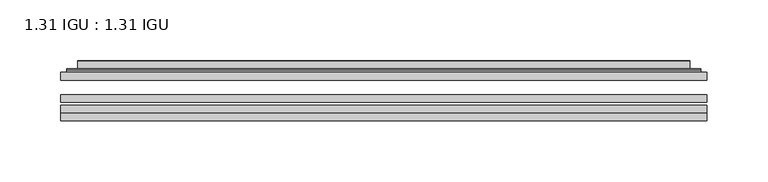
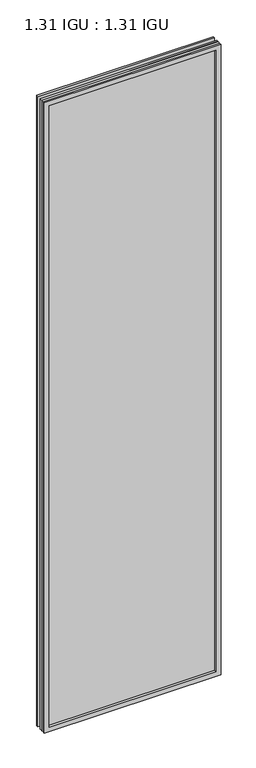
"""IFC4 building model written with IfcOpenShell, lengths in millimetres: plate geometry, 1.31 IGU : 1.31 IGU."""

from ifc_helpers import new_model, si_unit, frame, origin, place, context, project, spatial, polyline, ellipse_curve, outline, extrude, faceted_brep, source, transform, mapped, element, save
from ifc_brep_helpers import plane_surface, cylinder_surface, advanced_brep


def plate_1_31_igu_1_31_igu_803af0b6(model_context):
    return source(origin(), model_context, "Body", "SolidModel", [
        extrude(outline(polyline([(266.7140393, -63.59525), (266.7140393, -69.94525), (-266.6998644, -69.94525), (-266.6998644, -63.59525), (266.7140393, -63.59525)])), frame((0.0, 0.0, -14.2875), z_axis=(0.0, 0.0, 1.0), x_axis=(1.0, 0.0, 0.0)), (0.0, 0.0, 1.0), 2009.8015278),
        extrude(outline(polyline([(-266.6998644, -78.58125), (-266.6998644, -72.230745), (266.7140393, -72.230745), (266.7140393, -78.58125), (-266.6998644, -78.58125)])), frame((0.0, 0.0, -14.2875), z_axis=(0.0, 0.0, 1.0), x_axis=(1.0, 0.0, 0.0)), (0.0, 0.0, 1.0), 2009.8015278),
        extrude(outline(polyline([(266.7140393, -45.25645), (266.7140393, -51.60645), (-266.6998644, -51.60645), (-266.6998644, -45.25645), (266.7140393, -45.25645)])), frame((0.0, 0.0, -14.2875), z_axis=(0.0, 0.0, 1.0), x_axis=(1.0, 0.0, 0.0)), (0.0, 0.0, 1.0), 2009.8015278),
        faceted_brep([(-266.7125644, -84.93125, 1995.5229299), (-266.7125644, -78.58125, 1995.5229299), (-266.7125644, -78.58125, -14.3002), (-266.7125644, -84.93125, -14.3002), (266.7125644, -78.58125, -14.3002), (266.7125644, -84.93125, -14.3002), (266.7125644, -78.58125, 1995.5229299), (266.7125644, -84.93125, 1995.5229299), (-251.5146202, -78.58125, 0.8977441), (251.5146202, -78.58125, 0.8977441), (251.5146202, -78.58125, 1980.3249858), (-251.5146202, -78.58125, 1980.3249858), (-252.4070545, -84.93125, 1981.2174201), (252.4070545, -84.93125, 1981.2174201), (252.4070545, -84.93125, 0.0053098), (-252.4070545, -84.93125, 0.0053098)], [[[0, 1, 2, 3]], [[3, 2, 4, 5]], [[5, 4, 6, 7]], [[1, 6, 4, 2], [8, 9, 10, 11]], [[7, 6, 1, 0]], [[3, 5, 7, 0], [12, 13, 14, 15]], [[11, 12, 15, 8]], [[8, 15, 14, 9]], [[9, 14, 13, 10]], [[10, 13, 12, 11]]]),
        advanced_brep(
        [(-259.4585834, -45.25645, 1988.2689489), (-261.8127888, -43.2667833, 1990.6231543), (-261.8127888, -43.2667833, -9.4004244), (-259.4585834, -45.25645, -7.046219), (-250.3842583, -41.416413, 1979.1946238), (-245.4494264, -45.25645, 1974.2597919), (-245.4494264, -45.25645, 6.9629379), (-250.3842583, -41.416413, 2.0281061), (-251.416286, -36.0191819, 1980.2266515), (-251.416286, -36.0191819, 0.9960783), (-252.4069428, -35.6202069, 1981.2173083), (-252.4069428, -35.6202069, 0.0054216), (-252.4069428, -42.08145, 1981.2173083), (-252.4069428, -42.08145, 0.0054216), (-260.8109992, -42.08145, 1989.6213648), (-260.8109992, -42.08145, -8.3986349), (261.8127888, -43.2667833, -9.4004244), (259.4585834, -45.25645, -7.046219), (245.4494264, -45.25645, 6.9629379), (250.3842583, -41.416413, 2.0281061), (251.416286, -36.0191819, 0.9960783), (252.4069428, -35.6202069, 0.0054216), (252.4069428, -42.08145, 0.0054216), (260.8109992, -42.08145, -8.3986349), (261.8127888, -43.2667833, 1990.6231543), (259.4585834, -45.25645, 1988.2689489), (245.4494264, -45.25645, 1974.2597919), (250.3842583, -41.416413, 1979.1946238), (251.416286, -36.0191819, 1980.2266515), (252.4069428, -35.6202069, 1981.2173083), (252.4069428, -42.08145, 1981.2173083), (260.8109992, -42.08145, 1989.6213648)],
        [
            (0, 1, ellipse_curve(frame((-259.4585834, -42.86885, 1988.2689489), z_axis=(-0.7071067811865475, 0.0, -0.7071067811865475), x_axis=(-0.7071067811865474, 0.0, 0.7071067811865476)), 3.3765763, 2.3876)),
            (1, 2),
            (2, 3, ellipse_curve(frame((-259.4585834, -42.86885, -7.046219), z_axis=(-0.7071067811865475, 0.0, 0.7071067811865475), x_axis=(0.7071067811865474, 0.0, 0.7071067811865476)), 3.3765763, 2.3876)),
            (3, 0),
            (4, 5),
            (5, 6),
            (6, 7),
            (7, 4),
            (8, 4),
            (7, 9),
            (9, 8),
            (10, 8, ellipse_curve(frame((-252.0399862, -36.1384423, 1980.8503517), z_axis=(-0.7071067811865475, 0.0, -0.7071067811865475), x_axis=(-0.7071067811865474, 0.0, 0.7071067811865476)), 0.8980256, 0.635)),
            (9, 11, ellipse_curve(frame((-252.0399862, -36.1384423, 0.3723781), z_axis=(-0.7071067811865475, 0.0, 0.7071067811865475), x_axis=(0.7071067811865474, 0.0, 0.7071067811865476)), 0.8980256, 0.635)),
            (11, 10),
            (12, 10),
            (11, 13),
            (13, 12),
            (1, 14, ellipse_curve(frame((-260.8109992, -43.09745, 1989.6213648), z_axis=(-0.7071067811865475, 0.0, -0.7071067811865475), x_axis=(-0.7071067811865474, 0.0, 0.7071067811865476)), 1.436841, 1.016)),
            (14, 15),
            (15, 2, ellipse_curve(frame((-260.8109992, -43.09745, -8.3986349), z_axis=(-0.7071067811865475, 0.0, 0.7071067811865475), x_axis=(0.7071067811865474, 0.0, 0.7071067811865476)), 1.436841, 1.016)),
            (2, 16),
            (16, 17, ellipse_curve(frame((259.4585834, -42.86885, -7.046219), z_axis=(-0.7071067811865475, 0.0, -0.7071067811865475), x_axis=(-0.7071067811865476, 0.0, 0.7071067811865474)), 3.3765763, 2.3876)),
            (17, 3),
            (6, 18),
            (18, 19),
            (19, 7),
            (19, 20),
            (20, 9),
            (20, 21, ellipse_curve(frame((252.0399862, -36.1384423, 0.3723781), z_axis=(-0.7071067811865475, 0.0, -0.7071067811865475), x_axis=(-0.7071067811865476, 0.0, 0.7071067811865474)), 0.8980256, 0.635)),
            (21, 11),
            (21, 22),
            (22, 13),
            (15, 23),
            (23, 16, ellipse_curve(frame((260.8109992, -43.09745, -8.3986349), z_axis=(-0.7071067811865475, 0.0, -0.7071067811865475), x_axis=(-0.7071067811865476, 0.0, 0.7071067811865474)), 1.436841, 1.016)),
            (16, 24),
            (24, 25, ellipse_curve(frame((259.4585834, -42.86885, 1988.2689489), z_axis=(0.7071067811865475, 0.0, -0.7071067811865475), x_axis=(-0.7071067811865474, 0.0, -0.7071067811865476)), 3.3765763, 2.3876)),
            (25, 17),
            (18, 26),
            (26, 27),
            (27, 19),
            (27, 28),
            (28, 20),
            (28, 29, ellipse_curve(frame((252.0399862, -36.1384423, 1980.8503517), z_axis=(0.7071067811865475, 0.0, -0.7071067811865475), x_axis=(-0.7071067811865474, 0.0, -0.7071067811865476)), 0.8980256, 0.635)),
            (29, 21),
            (29, 30),
            (30, 22),
            (23, 31),
            (31, 24, ellipse_curve(frame((260.8109992, -43.09745, 1989.6213648), z_axis=(0.7071067811865475, 0.0, -0.7071067811865475), x_axis=(-0.7071067811865474, 0.0, -0.7071067811865476)), 1.436841, 1.016)),
            (24, 1),
            (0, 25),
            (5, 26),
            (4, 27),
            (8, 28),
            (10, 29),
            (12, 30),
            (14, 31),
        ],
        [
            cylinder_surface(frame((-259.4585834, -42.86885, 2012.9727299), z_axis=(0.0, 0.0, 1.0), x_axis=(-1.0, 0.0, 0.0)), 2.3876),
            plane_surface(frame((-245.4494264, -45.25645, 1974.2597919), z_axis=(0.6141233906514794, 0.7892100234124821, 0.0), x_axis=(0.0, 0.0, -1.0))),
            plane_surface(frame((-250.3842583, -41.416413, 1979.1946238), z_axis=(0.9822050625507729, 0.18781164793386076, 0.0), x_axis=(0.0, 0.0, -1.0))),
            cylinder_surface(frame((-252.0399862, -36.1384423, 2012.9727299), z_axis=(0.0, 0.0, 1.0), x_axis=(-1.0, 0.0, 0.0)), 0.635),
            plane_surface(frame((-252.4069428, -35.6202069, 1981.2173083), z_axis=(-1.0, 0.0, 0.0), x_axis=(0.0, 0.0, -1.0))),
            cylinder_surface(frame((-260.8109992, -43.09745, 2012.9727299), z_axis=(0.0, 0.0, 1.0), x_axis=(-1.0, 0.0, 0.0)), 1.016),
            cylinder_surface(frame((-284.1623644, -42.86885, -7.046219), z_axis=(-1.0, 0.0, 0.0), x_axis=(0.0, 0.0, -1.0)), 2.3876),
            plane_surface(frame((-245.4494264, -45.25645, 6.9629379), z_axis=(0.0, 0.7892100234124841, 0.6141233906514768), x_axis=(1.0, 0.0, 0.0))),
            plane_surface(frame((-250.3842583, -41.416413, 2.0281061), z_axis=(0.0, 0.18781164793386393, 0.9822050625507723), x_axis=(1.0, 0.0, 0.0))),
            cylinder_surface(frame((-284.1623644, -36.1384423, 0.3723781), z_axis=(-1.0, 0.0, 0.0), x_axis=(0.0, 0.0, -1.0)), 0.635),
            plane_surface(frame((-252.4069428, -35.6202069, 0.0054216), z_axis=(0.0, 0.0, -1.0), x_axis=(1.0, 0.0, 0.0))),
            cylinder_surface(frame((-284.1623644, -43.09745, -8.3986349), z_axis=(-1.0, 0.0, 0.0), x_axis=(0.0, 0.0, -1.0)), 1.016),
            cylinder_surface(frame((259.4585834, -42.86885, -31.75), z_axis=(0.0, 0.0, -1.0), x_axis=(1.0, 0.0, 0.0)), 2.3876),
            plane_surface(frame((245.4494264, -45.25645, 6.9629379), z_axis=(-0.6141233906514743, 0.7892100234124861, 0.0), x_axis=(0.0, 0.0, 1.0))),
            plane_surface(frame((250.3842583, -41.416413, 2.0281061), z_axis=(-0.9822050625507718, 0.1878116479338671, 0.0), x_axis=(0.0, 0.0, 1.0))),
            cylinder_surface(frame((252.0399862, -36.1384423, -31.75), z_axis=(0.0, 0.0, -1.0), x_axis=(1.0, 0.0, 0.0)), 0.635),
            plane_surface(frame((252.4069428, -35.6202069, 0.0054216), z_axis=(1.0, 0.0, 0.0), x_axis=(0.0, 0.0, 1.0))),
            cylinder_surface(frame((260.8109992, -43.09745, -31.75), z_axis=(0.0, 0.0, -1.0), x_axis=(1.0, 0.0, 0.0)), 1.016),
            cylinder_surface(frame((284.1623644, -42.86885, 1988.2689489), z_axis=(1.0, 0.0, 0.0), x_axis=(0.0, 0.0, 1.0)), 2.3876),
            plane_surface(frame((259.4585834, -45.25645, 1988.2689489), z_axis=(0.0, -1.0, 0.0), x_axis=(-1.0, 0.0, 0.0))),
            plane_surface(frame((245.4494264, -45.25645, 1974.2597919), z_axis=(0.0, 0.7892100234124841, -0.6141233906514768), x_axis=(-1.0, 0.0, 0.0))),
            plane_surface(frame((250.3842583, -41.416413, 1979.1946238), z_axis=(0.0, 0.18781164793386393, -0.9822050625507723), x_axis=(-1.0, 0.0, 0.0))),
            cylinder_surface(frame((284.1623644, -36.1384423, 1980.8503517), z_axis=(1.0, 0.0, 0.0), x_axis=(0.0, 0.0, 1.0)), 0.635),
            plane_surface(frame((252.4069428, -35.6202069, 1981.2173083), z_axis=(0.0, 0.0, 1.0), x_axis=(-1.0, 0.0, 0.0))),
            plane_surface(frame((252.4069428, -42.08145, 1981.2173083), z_axis=(0.0, 1.0, 0.0), x_axis=(-1.0, 0.0, 0.0))),
            cylinder_surface(frame((284.1623644, -43.09745, 1989.6213648), z_axis=(1.0, 0.0, 0.0), x_axis=(0.0, 0.0, 1.0)), 1.016),
        ],
        [
            (0, [[1, 2, 3, 4]]),
            (1, [[5, 6, 7, 8]]),
            (2, [[9, -8, 10, 11]]),
            (3, [[12, -11, 13, 14]]),
            (4, [[15, -14, 16, 17]]),
            (5, [[18, 19, 20, -2]]),
            (6, [[-3, 21, 22, 23]]),
            (7, [[-7, 24, 25, 26]]),
            (8, [[-10, -26, 27, 28]]),
            (9, [[-13, -28, 29, 30]]),
            (10, [[-16, -30, 31, 32]]),
            (11, [[-20, 33, 34, -21]]),
            (12, [[-22, 35, 36, 37]]),
            (13, [[-25, 38, 39, 40]]),
            (14, [[-27, -40, 41, 42]]),
            (15, [[-29, -42, 43, 44]]),
            (16, [[-31, -44, 45, 46]]),
            (17, [[-34, 47, 48, -35]]),
            (18, [[-36, 49, -1, 50]]),
            (19, [[-23, -37, -50, -4], [51, -38, -24, -6]]),
            (20, [[-39, -51, -5, 52]]),
            (21, [[-41, -52, -9, 53]]),
            (22, [[-43, -53, -12, 54]]),
            (23, [[-45, -54, -15, 55]]),
            (24, [[56, -47, -33, -19], [-32, -46, -55, -17]]),
            (25, [[-48, -56, -18, -49]]),
        ],
    ),
    ])


if __name__ == "__main__":
    model = new_model("IFC4")
    model_context = context("Model", 3, world=origin())
    ifc_project = project(units=[si_unit("LENGTHUNIT", "METRE", prefix="MILLI")], contexts=[model_context])
    site = spatial("IfcSite", under=ifc_project)
    building = spatial("IfcBuilding", under=site)
    placement = place(None, origin())
    plate_1_31_igu_1_31_igu_shape = plate_1_31_igu_1_31_igu_803af0b6(model_context)
    element("IfcPlate", 1, ObjectType="1.31 IGU : 1.31 IGU", at=placement, inside=building, context=model_context, shape_type="MappedRepresentation", body=[
        mapped(plate_1_31_igu_1_31_igu_shape, transform((0.0, 0.0, 0.0), x_axis=(1.0, 0.0, 0.0), y_axis=(0.0, 1.0, 0.0), z_axis=(0.0, 0.0, 1.0))),
    ])
    save(model, "model.ifc")
